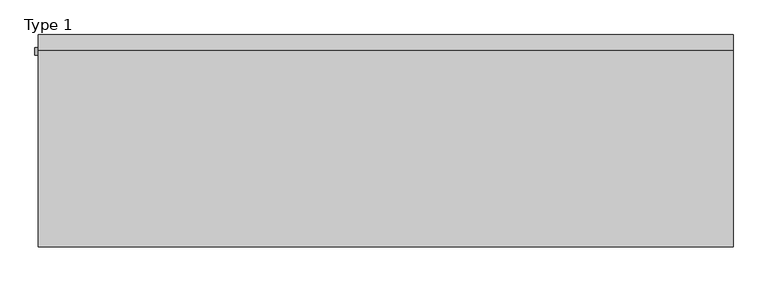
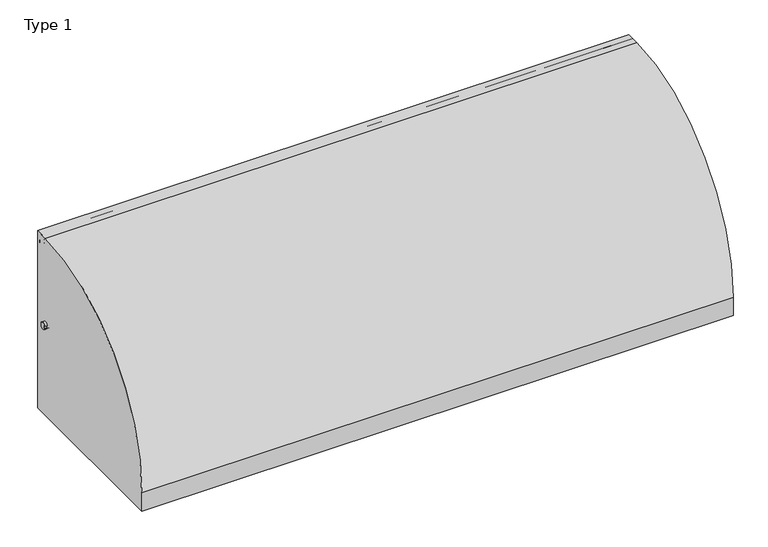
"""IFC4 building model written with IfcOpenShell, lengths in millimetres: railing geometry, Type 1."""

from ifc_helpers import new_model, si_unit, point, frame, frame_2d, origin, place, context, project, spatial, polyline, circle_curve, trimmed, segment, composite_curve, outline, extrude, source, transform, mapped, element, save
from ifc_brep_helpers import plane_surface, cylinder_surface, revolved_surface, advanced_brep


def type_1_9489bd56(model_context):
    return source(origin(), model_context, "Body", "SolidModel", [
        extrude(outline(composite_curve([segment(polyline([(824.2, 1050.0), (824.2, 0.0), (-187.2, 0.0), (-187.2, 108.0)]), True, "CONTINUOUS"), segment(trimmed(circle_curve(frame_2d((754.8273072, 108.0)), 942.0273072), [point((-187.2, 108.0))], [point((747.6546144, 1050.0))], False, "CARTESIAN"), True, "CONTINUOUS"), segment(polyline([(747.6546144, 1050.0), (824.2, 1050.0)]), True, "CONTINUOUS")], self_intersect=False)), frame((-395.0, 0.0, 0.0), z_axis=(1.0, 0.0, 0.0), x_axis=(0.0, 1.0, 0.0)), (0.0, 0.0, 1.0), 3310.4852492),
        extrude(outline(composite_curve([segment(polyline([(727.7, 530.617273), (731.7, 530.617273), (731.7, 545.382727), (727.7, 545.382727)]), True, "CONTINUOUS"), segment(trimmed(circle_curve(frame_2d((746.287505, 538.0)), 20.0), [point((727.7, 545.382727))], [point((762.0, 550.3740657))], False, "CARTESIAN"), True, "CONTINUOUS"), segment(polyline([(762.0, 550.3740657), (762.0, 525.6259343)]), True, "CONTINUOUS"), segment(trimmed(circle_curve(frame_2d((746.287505, 538.0)), 20.0), [point((762.0, 525.6259343))], [point((727.7, 530.617273))], False, "CARTESIAN"), True, "CONTINUOUS")], self_intersect=False)), frame((-410.0, 0.0, 0.0), z_axis=(1.0, 0.0, 0.0), x_axis=(0.0, 1.0, 0.0)), (0.0, 0.0, 1.0), 3325.4852492),
        extrude(outline(composite_curve([segment(polyline([(802.0, 1011.43534), (802.0, 993.0), (801.0, 993.0), (801.0, 1008.0), (761.0, 1008.0), (761.0, 993.0), (760.0, 993.0), (760.0, 1011.43534)]), True, "CONTINUOUS"), segment(trimmed(circle_curve(frame_2d((781.0, 1025.0)), 25.0), [point((760.0, 1011.43534))], [point((802.0, 1011.43534))], False, "CARTESIAN"), True, "CONTINUOUS")], self_intersect=False)), frame((-395.0, 0.0, 0.0), z_axis=(1.0, 0.0, 0.0), x_axis=(0.0, 1.0, 0.0)), (0.0, 0.0, 1.0), 3310.4852492),
        extrude(outline(composite_curve([segment(polyline([(800.0, 185.0), (800.0, 0.0), (598.1818182, 0.0), (598.1818182, 41.5250756)]), True, "CONTINUOUS"), segment(trimmed(circle_curve(frame_2d((609.3939394, 41.5250756)), 11.2121212), [point((598.1818182, 41.5250756))], [point((601.4657725, 49.4532425))], False, "CARTESIAN"), True, "CONTINUOUS"), segment(polyline([(601.4657725, 49.4532425), (715.6668272, 163.6542973)]), True, "CONTINUOUS"), segment(trimmed(circle_curve(frame_2d((767.1999123, 112.1212122)), 72.8787879), [point((715.6668272, 163.6542973))], [point((767.1999123, 185.0))], False, "CARTESIAN"), True, "CONTINUOUS"), segment(polyline([(767.1999123, 185.0), (800.0, 185.0)]), True, "CONTINUOUS")], self_intersect=False), holes=[composite_curve([segment(trimmed(circle_curve(frame_2d((778.6969697, 93.0361975)), 67.389419), [point((711.3075507, 93.0361975))], [point((770.5995631, 159.9373619))], False, "CARTESIAN"), True, "CONTINUOUS"), segment(trimmed(circle_curve(frame_2d((770.8668077, 157.7293747)), 2.2241014), [point((770.5995631, 159.9373619))], [point((773.0909091, 157.7293747))], False, "CARTESIAN"), True, "CONTINUOUS"), segment(polyline([(773.0909091, 157.7293747), (773.0909091, 143.5676849)]), True, "CONTINUOUS"), segment(trimmed(circle_curve(frame_2d((778.6969697, 143.5676849)), 5.6060606), [point((773.0909091, 143.5676849))], [point((784.3030303, 143.5676849))], True, "CARTESIAN"), True, "CONTINUOUS"), segment(polyline([(784.3030303, 143.5676849), (784.3030303, 166.0316771)]), True, "CONTINUOUS"), segment(trimmed(circle_curve(frame_2d((778.6969697, 166.0316771)), 5.6060606), [point((784.3030303, 166.0316771))], [point((778.6969697, 171.6377377))], True, "CARTESIAN"), True, "CONTINUOUS"), segment(trimmed(circle_curve(frame_2d((778.6969697, 93.0361975)), 78.6015402), [point((778.6969697, 171.6377377))], [point((700.0954295, 93.0361975))], True, "CARTESIAN"), True, "CONTINUOUS"), segment(trimmed(circle_curve(frame_2d((705.7014901, 93.0361975)), 5.6060606), [point((700.0954295, 93.0361975))], [point((711.3075507, 93.0361975))], True, "CARTESIAN"), True, "CONTINUOUS")], self_intersect=False)]), frame((1107.7426246, 0.0, 0.0), z_axis=(1.0, 0.0, 0.0), x_axis=(0.0, 1.0, 0.0)), (0.0, 0.0, 1.0), 2.5),
        advanced_brep(
        [(1175.2426246, 800.0, 185.0), (1175.2426246, 800.0, 100.9768515), (1175.2426246, 800.0, 0.0), (1175.2426246, 598.1818182, 0.0), (1175.2426246, 598.1818182, 41.5250756), (1175.2426246, 601.4657725, 49.4532425), (1175.2426246, 715.6668272, 163.6542973), (1175.2426246, 767.1999123, 185.0), (1175.2426246, 711.3075507, 93.0361975), (1175.2426246, 770.5995631, 159.9373619), (1175.2426246, 773.0909091, 157.7293747), (1175.2426246, 773.0909091, 143.5676849), (1175.2426246, 784.3030303, 143.5676849), (1175.2426246, 784.3030303, 166.0316771), (1175.2426246, 778.6969697, 171.6377377), (1175.2426246, 700.0954295, 93.0361975), (1177.7426246, 800.0, 0.0), (1177.7426246, 800.0, 100.9768515), (1177.7426246, 802.0, 100.9768515), (1177.7426246, 802.0, 185.0), (1177.7426246, 767.1999123, 185.0), (1177.7426246, 715.6668272, 163.6542973), (1177.7426246, 601.4657725, 49.4532425), (1177.7426246, 598.1818182, 41.5250756), (1177.7426246, 598.1818182, 0.0), (1177.7426246, 711.3075507, 93.0361975), (1177.7426246, 700.0954295, 93.0361975), (1177.7426246, 778.6969697, 171.6377377), (1177.7426246, 784.3030303, 166.0316771), (1177.7426246, 784.3030303, 143.5676849), (1177.7426246, 773.0909091, 143.5676849), (1177.7426246, 773.0909091, 157.7293747), (1177.7426246, 770.5995631, 159.9373619), (1107.7426246, 802.0, 185.0), (1107.7426246, 800.0, 185.0), (1107.7426246, 802.0, 100.9768515), (1107.7426246, 800.0, 100.9768515)],
        [
            (0, 1),
            (1, 2),
            (2, 3),
            (3, 4),
            (4, 5, circle_curve(frame((1175.2426246, 609.3939394, 41.5250756), z_axis=(-1.0, 0.0, 0.0), x_axis=(0.0, 1.0, 0.0)), 11.2121212)),
            (5, 6),
            (6, 7, circle_curve(frame((1175.2426246, 767.1999123, 112.1212122), z_axis=(-1.0, 0.0, 0.0), x_axis=(0.0, 1.0, 0.0)), 72.8787879)),
            (7, 0),
            (8, 9, circle_curve(frame((1175.2426246, 778.6969697, 93.0361975), z_axis=(-1.0, 0.0, 0.0), x_axis=(0.0, 1.0, 0.0)), 67.389419)),
            (9, 10, circle_curve(frame((1175.2426246, 770.8668077, 157.7293747), z_axis=(-1.0, 0.0, 0.0), x_axis=(0.0, 1.0, 0.0)), 2.2241014)),
            (10, 11),
            (11, 12, circle_curve(frame((1175.2426246, 778.6969697, 143.5676849), z_axis=(1.0, 0.0, 0.0), x_axis=(0.0, 1.0, 0.0)), 5.6060606)),
            (12, 13),
            (13, 14, circle_curve(frame((1175.2426246, 778.6969697, 166.0316771), z_axis=(1.0, 0.0, 0.0), x_axis=(0.0, 1.0, 0.0)), 5.6060606)),
            (14, 15, circle_curve(frame((1175.2426246, 778.6969697, 93.0361975), z_axis=(1.0, 0.0, 0.0), x_axis=(0.0, 1.0, 0.0)), 78.6015402)),
            (15, 8, circle_curve(frame((1175.2426246, 705.7014901, 93.0361975), z_axis=(1.0, 0.0, 0.0), x_axis=(0.0, 1.0, 0.0)), 5.6060606)),
            (16, 17),
            (17, 18),
            (18, 19),
            (19, 20),
            (20, 21, circle_curve(frame((1177.7426246, 767.1999123, 112.1212122), z_axis=(1.0, 0.0, 0.0), x_axis=(0.0, 1.0, 0.0)), 72.8787879)),
            (21, 22),
            (22, 23, circle_curve(frame((1177.7426246, 609.3939394, 41.5250756), z_axis=(1.0, 0.0, 0.0), x_axis=(0.0, 1.0, 0.0)), 11.2121212)),
            (23, 24),
            (24, 16),
            (25, 26, circle_curve(frame((1177.7426246, 705.7014901, 93.0361975), z_axis=(-1.0, 0.0, 0.0), x_axis=(0.0, 1.0, 0.0)), 5.6060606)),
            (26, 27, circle_curve(frame((1177.7426246, 778.6969697, 93.0361975), z_axis=(-1.0, 0.0, 0.0), x_axis=(0.0, 1.0, 0.0)), 78.6015402)),
            (27, 28, circle_curve(frame((1177.7426246, 778.6969697, 166.0316771), z_axis=(-1.0, 0.0, 0.0), x_axis=(0.0, 1.0, 0.0)), 5.6060606)),
            (28, 29),
            (29, 30, circle_curve(frame((1177.7426246, 778.6969697, 143.5676849), z_axis=(-1.0, 0.0, 0.0), x_axis=(0.0, 1.0, 0.0)), 5.6060606)),
            (30, 31),
            (31, 32, circle_curve(frame((1177.7426246, 770.8668077, 157.7293747), z_axis=(1.0, 0.0, 0.0), x_axis=(0.0, 1.0, 0.0)), 2.2241014)),
            (32, 25, circle_curve(frame((1177.7426246, 778.6969697, 93.0361975), z_axis=(1.0, 0.0, 0.0), x_axis=(0.0, 1.0, 0.0)), 67.389419)),
            (7, 20),
            (19, 33),
            (33, 34),
            (34, 0),
            (6, 21),
            (5, 22),
            (4, 23),
            (3, 24),
            (2, 16),
            (1, 17),
            (15, 26),
            (25, 8),
            (14, 27),
            (13, 28),
            (32, 9),
            (12, 29),
            (11, 30),
            (10, 31),
            (18, 35),
            (35, 33),
            (36, 1),
            (34, 36),
            (35, 36),
        ],
        [
            plane_surface(frame((1175.2426246, 798.2270223, 185.0), z_axis=(-1.0, 0.0, 0.0), x_axis=(0.0, -1.0, 0.0))),
            plane_surface(frame((1177.7426246, 798.2270223, 185.0), z_axis=(1.0, 0.0, 0.0), x_axis=(0.0, 1.0, 0.0))),
            plane_surface(frame((1175.2426246, 800.0, 185.0), z_axis=(0.0, 0.0, 1.0), x_axis=(1.0, 0.0, 0.0))),
            cylinder_surface(frame((1177.7426246, 767.1999123, 112.1212122), z_axis=(-1.0, 0.0, 0.0), x_axis=(0.0, 1.0, 0.0)), 72.8787879),
            plane_surface(frame((1175.2426246, 715.6668272, 163.6542973), z_axis=(0.0, -0.7071067811865421, 0.7071067811865529), x_axis=(1.0, 0.0, 0.0))),
            cylinder_surface(frame((1177.7426246, 609.3939394, 41.5250756), z_axis=(-1.0, 0.0, 0.0), x_axis=(0.0, 1.0, 0.0)), 11.2121212),
            plane_surface(frame((1175.2426246, 598.1818182, 41.5250756), z_axis=(0.0, -1.0, 0.0), x_axis=(1.0, 0.0, 0.0))),
            plane_surface(frame((1175.2426246, 598.1818182, 0.0), z_axis=(0.0, 0.0, -1.0), x_axis=(1.0, 0.0, 0.0))),
            plane_surface(frame((1175.2426246, 800.0, 0.0), z_axis=(0.0, 1.0, 0.0), x_axis=(1.0, 0.0, 0.0))),
            revolved_surface(polyline([(1177.7426246, 711.3075507, 93.0361975), (1175.2426246, 711.3075507, 93.0361975)]), (1177.7426246, 705.7014901, 93.0361975), (1.0, 0.0, 0.0)),
            revolved_surface(polyline([(1177.7426246, 857.2985099, 93.0361975), (1175.2426246, 857.2985099, 93.0361975)]), (1177.7426246, 778.6969697, 93.0361975), (1.0, 0.0, 0.0)),
            revolved_surface(polyline([(1177.7426246, 784.3030302999999, 166.0316771), (1175.2426246, 784.3030302999999, 166.0316771)]), (1177.7426246, 778.6969697, 166.0316771), (1.0, 0.0, 0.0)),
            cylinder_surface(frame((1177.7426246, 778.6969697, 93.0361975), z_axis=(-1.0, 0.0, 0.0), x_axis=(0.0, 1.0, 0.0)), 67.389419),
            plane_surface(frame((1175.2426246, 784.3030303, 166.0316771), z_axis=(0.0, -1.0, 0.0), x_axis=(1.0, 0.0, 0.0))),
            revolved_surface(polyline([(1177.7426246, 784.3030302999999, 143.5676849), (1175.2426246, 784.3030302999999, 143.5676849)]), (1177.7426246, 778.6969697, 143.5676849), (1.0, 0.0, 0.0)),
            plane_surface(frame((1175.2426246, 773.0909091, 143.5676849), z_axis=(0.0, 1.0, 0.0), x_axis=(1.0, 0.0, 0.0))),
            cylinder_surface(frame((1177.7426246, 770.8668077, 157.7293747), z_axis=(-1.0, 0.0, 0.0), x_axis=(0.0, 1.0, 0.0)), 2.2241014),
            plane_surface(frame((1107.7426246, 802.0, 185.0), z_axis=(0.0, 1.0, 0.0), x_axis=(-1.0, 0.0, 0.0))),
            plane_surface(frame((1107.7426246, 800.0, 185.0), z_axis=(0.0, -1.0, 0.0), x_axis=(1.0, 0.0, 0.0))),
            plane_surface(frame((1107.7426246, 802.0, 185.0), z_axis=(-1.0, 0.0, 0.0), x_axis=(0.0, -1.0, 0.0))),
            plane_surface(frame((1107.7426246, 802.0, 100.9768515), z_axis=(0.0, 0.0, -1.0), x_axis=(0.0, -1.0, 0.0))),
        ],
        [
            (0, [[1, 2, 3, 4, 5, 6, 7, 8], [9, 10, 11, 12, 13, 14, 15, 16]]),
            (1, [[17, 18, 19, 20, 21, 22, 23, 24, 25], [26, 27, 28, 29, 30, 31, 32, 33]]),
            (2, [[34, -20, 35, 36, 37, -8]]),
            (3, [[38, -21, -34, -7]]),
            (4, [[39, -22, -38, -6]]),
            (5, [[40, -23, -39, -5]]),
            (6, [[41, -24, -40, -4]]),
            (7, [[42, -25, -41, -3]]),
            (8, [[-2, 43, -17, -42]]),
            (9, [[44, -26, 45, -16]]),
            (10, [[46, -27, -44, -15]]),
            (11, [[47, -28, -46, -14]]),
            (12, [[-45, -33, 48, -9]]),
            (13, [[49, -29, -47, -13]]),
            (14, [[50, -30, -49, -12]]),
            (15, [[51, -31, -50, -11]]),
            (16, [[-48, -32, -51, -10]]),
            (17, [[-19, 52, 53, -35]]),
            (18, [[54, -1, -37, 55]]),
            (19, [[56, -55, -36, -53]]),
            (20, [[-18, -43, -54, -56, -52]]),
        ],
    ),
        extrude(outline(composite_curve([segment(polyline([(1119.7426246, 800.0), (1165.7426246, 800.0)]), True, "CONTINUOUS"), segment(trimmed(circle_curve(frame_2d((1165.7426246, 795.0)), 5.0), [point((1165.7426246, 800.0))], [point((1170.7426246, 795.0))], False, "CARTESIAN"), True, "CONTINUOUS"), segment(polyline([(1170.7426246, 795.0), (1170.7426246, 767.0)]), True, "CONTINUOUS"), segment(trimmed(circle_curve(frame_2d((1165.7426246, 767.0)), 5.0), [point((1170.7426246, 767.0))], [point((1165.7426246, 762.0))], False, "CARTESIAN"), True, "CONTINUOUS"), segment(polyline([(1165.7426246, 762.0), (1119.7426246, 762.0)]), True, "CONTINUOUS"), segment(trimmed(circle_curve(frame_2d((1119.7426246, 767.0)), 5.0), [point((1119.7426246, 762.0))], [point((1114.7426246, 767.0))], False, "CARTESIAN"), True, "CONTINUOUS"), segment(polyline([(1114.7426246, 767.0), (1114.7426246, 795.0)]), True, "CONTINUOUS"), segment(trimmed(circle_curve(frame_2d((1119.7426246, 795.0)), 5.0), [point((1114.7426246, 795.0))], [point((1119.7426246, 800.0))], False, "CARTESIAN"), True, "CONTINUOUS")], self_intersect=False)), frame((0.0, 0.0, 43.0), z_axis=(0.0, 0.0, 1.0), x_axis=(1.0, 0.0, 0.0)), (0.0, 0.0, 1.0), 965.0),
        extrude(outline(composite_curve([segment(polyline([(0.0, 1175.2426246), (36.5, 1175.2426246)]), True, "CONTINUOUS"), segment(trimmed(circle_curve(frame_2d((36.5, 1173.7426246)), 1.5), [point((36.5, 1175.2426246))], [point((36.5, 1172.2426246))], False, "CARTESIAN"), True, "CONTINUOUS"), segment(polyline([(36.5, 1172.2426246), (3.0, 1172.2426246), (3.0, 1113.2426246), (36.5, 1113.2426246)]), True, "CONTINUOUS"), segment(trimmed(circle_curve(frame_2d((36.5, 1111.7426246)), 1.5), [point((36.5, 1113.2426246))], [point((36.5, 1110.2426246))], False, "CARTESIAN"), True, "CONTINUOUS"), segment(polyline([(36.5, 1110.2426246), (0.0, 1110.2426246), (0.0, 1175.2426246)]), True, "CONTINUOUS")], self_intersect=False)), frame((0.0, 0.0, 0.0), z_axis=(0.0, 1.0, 0.0), x_axis=(0.0, 0.0, 1.0)), (0.0, 0.0, 1.0), 800.0),
        extrude(outline(composite_curve([segment(polyline([(800.0, 185.0), (800.0, 0.0), (598.1818182, 0.0), (598.1818182, 41.5250756)]), True, "CONTINUOUS"), segment(trimmed(circle_curve(frame_2d((609.3939394, 41.5250756)), 11.2121212), [point((598.1818182, 41.5250756))], [point((601.4657725, 49.4532425))], False, "CARTESIAN"), True, "CONTINUOUS"), segment(polyline([(601.4657725, 49.4532425), (715.6668272, 163.6542973)]), True, "CONTINUOUS"), segment(trimmed(circle_curve(frame_2d((767.1999123, 112.1212122)), 72.8787879), [point((715.6668272, 163.6542973))], [point((767.1999123, 185.0))], False, "CARTESIAN"), True, "CONTINUOUS"), segment(polyline([(767.1999123, 185.0), (800.0, 185.0)]), True, "CONTINUOUS")], self_intersect=False), holes=[composite_curve([segment(trimmed(circle_curve(frame_2d((778.6969697, 93.0361975)), 67.389419), [point((711.3075507, 93.0361975))], [point((770.5995631, 159.9373619))], False, "CARTESIAN"), True, "CONTINUOUS"), segment(trimmed(circle_curve(frame_2d((770.8668077, 157.7293747)), 2.2241014), [point((770.5995631, 159.9373619))], [point((773.0909091, 157.7293747))], False, "CARTESIAN"), True, "CONTINUOUS"), segment(polyline([(773.0909091, 157.7293747), (773.0909091, 143.5676849)]), True, "CONTINUOUS"), segment(trimmed(circle_curve(frame_2d((778.6969697, 143.5676849)), 5.6060606), [point((773.0909091, 143.5676849))], [point((784.3030303, 143.5676849))], True, "CARTESIAN"), True, "CONTINUOUS"), segment(polyline([(784.3030303, 143.5676849), (784.3030303, 166.0316771)]), True, "CONTINUOUS"), segment(trimmed(circle_curve(frame_2d((778.6969697, 166.0316771)), 5.6060606), [point((784.3030303, 166.0316771))], [point((778.6969697, 171.6377377))], True, "CARTESIAN"), True, "CONTINUOUS"), segment(trimmed(circle_curve(frame_2d((778.6969697, 93.0361975)), 78.6015402), [point((778.6969697, 171.6377377))], [point((700.0954295, 93.0361975))], True, "CARTESIAN"), True, "CONTINUOUS"), segment(trimmed(circle_curve(frame_2d((705.7014901, 93.0361975)), 5.6060606), [point((700.0954295, 93.0361975))], [point((711.3075507, 93.0361975))], True, "CARTESIAN"), True, "CONTINUOUS")], self_intersect=False)]), frame((2222.4852492, 0.0, 0.0), z_axis=(1.0, 0.0, 0.0), x_axis=(0.0, 1.0, 0.0)), (0.0, 0.0, 1.0), 2.5),
        advanced_brep(
        [(2289.9852492, 800.0, 185.0), (2289.9852492, 800.0, 100.9768515), (2289.9852492, 800.0, 0.0), (2289.9852492, 598.1818182, 0.0), (2289.9852492, 598.1818182, 41.5250756), (2289.9852492, 601.4657725, 49.4532425), (2289.9852492, 715.6668272, 163.6542973), (2289.9852492, 767.1999123, 185.0), (2289.9852492, 711.3075507, 93.0361975), (2289.9852492, 770.5995631, 159.9373619), (2289.9852492, 773.0909091, 157.7293747), (2289.9852492, 773.0909091, 143.5676849), (2289.9852492, 784.3030303, 143.5676849), (2289.9852492, 784.3030303, 166.0316771), (2289.9852492, 778.6969697, 171.6377377), (2289.9852492, 700.0954295, 93.0361975), (2292.4852492, 800.0, 0.0), (2292.4852492, 800.0, 100.9768515), (2292.4852492, 802.0, 100.9768515), (2292.4852492, 802.0, 185.0), (2292.4852492, 767.1999123, 185.0), (2292.4852492, 715.6668272, 163.6542973), (2292.4852492, 601.4657725, 49.4532425), (2292.4852492, 598.1818182, 41.5250756), (2292.4852492, 598.1818182, 0.0), (2292.4852492, 711.3075507, 93.0361975), (2292.4852492, 700.0954295, 93.0361975), (2292.4852492, 778.6969697, 171.6377377), (2292.4852492, 784.3030303, 166.0316771), (2292.4852492, 784.3030303, 143.5676849), (2292.4852492, 773.0909091, 143.5676849), (2292.4852492, 773.0909091, 157.7293747), (2292.4852492, 770.5995631, 159.9373619), (2222.4852492, 802.0, 185.0), (2222.4852492, 800.0, 185.0), (2222.4852492, 802.0, 100.9768515), (2222.4852492, 800.0, 100.9768515)],
        [
            (0, 1),
            (1, 2),
            (2, 3),
            (3, 4),
            (4, 5, circle_curve(frame((2289.9852492, 609.3939394, 41.5250756), z_axis=(-1.0, 0.0, 0.0), x_axis=(0.0, 1.0, 0.0)), 11.2121212)),
            (5, 6),
            (6, 7, circle_curve(frame((2289.9852492, 767.1999123, 112.1212122), z_axis=(-1.0, 0.0, 0.0), x_axis=(0.0, 1.0, 0.0)), 72.8787879)),
            (7, 0),
            (8, 9, circle_curve(frame((2289.9852492, 778.6969697, 93.0361975), z_axis=(-1.0, 0.0, 0.0), x_axis=(0.0, 1.0, 0.0)), 67.389419)),
            (9, 10, circle_curve(frame((2289.9852492, 770.8668077, 157.7293747), z_axis=(-1.0, 0.0, 0.0), x_axis=(0.0, 1.0, 0.0)), 2.2241014)),
            (10, 11),
            (11, 12, circle_curve(frame((2289.9852492, 778.6969697, 143.5676849), z_axis=(1.0, 0.0, 0.0), x_axis=(0.0, 1.0, 0.0)), 5.6060606)),
            (12, 13),
            (13, 14, circle_curve(frame((2289.9852492, 778.6969697, 166.0316771), z_axis=(1.0, 0.0, 0.0), x_axis=(0.0, 1.0, 0.0)), 5.6060606)),
            (14, 15, circle_curve(frame((2289.9852492, 778.6969697, 93.0361975), z_axis=(1.0, 0.0, 0.0), x_axis=(0.0, 1.0, 0.0)), 78.6015402)),
            (15, 8, circle_curve(frame((2289.9852492, 705.7014901, 93.0361975), z_axis=(1.0, 0.0, 0.0), x_axis=(0.0, 1.0, 0.0)), 5.6060606)),
            (16, 17),
            (17, 18),
            (18, 19),
            (19, 20),
            (20, 21, circle_curve(frame((2292.4852492, 767.1999123, 112.1212122), z_axis=(1.0, 0.0, 0.0), x_axis=(0.0, 1.0, 0.0)), 72.8787879)),
            (21, 22),
            (22, 23, circle_curve(frame((2292.4852492, 609.3939394, 41.5250756), z_axis=(1.0, 0.0, 0.0), x_axis=(0.0, 1.0, 0.0)), 11.2121212)),
            (23, 24),
            (24, 16),
            (25, 26, circle_curve(frame((2292.4852492, 705.7014901, 93.0361975), z_axis=(-1.0, 0.0, 0.0), x_axis=(0.0, 1.0, 0.0)), 5.6060606)),
            (26, 27, circle_curve(frame((2292.4852492, 778.6969697, 93.0361975), z_axis=(-1.0, 0.0, 0.0), x_axis=(0.0, 1.0, 0.0)), 78.6015402)),
            (27, 28, circle_curve(frame((2292.4852492, 778.6969697, 166.0316771), z_axis=(-1.0, 0.0, 0.0), x_axis=(0.0, 1.0, 0.0)), 5.6060606)),
            (28, 29),
            (29, 30, circle_curve(frame((2292.4852492, 778.6969697, 143.5676849), z_axis=(-1.0, 0.0, 0.0), x_axis=(0.0, 1.0, 0.0)), 5.6060606)),
            (30, 31),
            (31, 32, circle_curve(frame((2292.4852492, 770.8668077, 157.7293747), z_axis=(1.0, 0.0, 0.0), x_axis=(0.0, 1.0, 0.0)), 2.2241014)),
            (32, 25, circle_curve(frame((2292.4852492, 778.6969697, 93.0361975), z_axis=(1.0, 0.0, 0.0), x_axis=(0.0, 1.0, 0.0)), 67.389419)),
            (7, 20),
            (19, 33),
            (33, 34),
            (34, 0),
            (6, 21),
            (5, 22),
            (4, 23),
            (3, 24),
            (2, 16),
            (1, 17),
            (15, 26),
            (25, 8),
            (14, 27),
            (13, 28),
            (32, 9),
            (12, 29),
            (11, 30),
            (10, 31),
            (18, 35),
            (35, 33),
            (36, 1),
            (34, 36),
            (35, 36),
        ],
        [
            plane_surface(frame((2289.9852492, 798.2270223, 185.0), z_axis=(-1.0, 0.0, 0.0), x_axis=(0.0, -1.0, 0.0))),
            plane_surface(frame((2292.4852492, 798.2270223, 185.0), z_axis=(1.0, 0.0, 0.0), x_axis=(0.0, 1.0, 0.0))),
            plane_surface(frame((2289.9852492, 800.0, 185.0), z_axis=(0.0, 0.0, 1.0), x_axis=(1.0, 0.0, 0.0))),
            cylinder_surface(frame((2292.4852492, 767.1999123, 112.1212122), z_axis=(-1.0, 0.0, 0.0), x_axis=(0.0, 1.0, 0.0)), 72.8787879),
            plane_surface(frame((2289.9852492, 715.6668272, 163.6542973), z_axis=(0.0, -0.7071067811865421, 0.7071067811865529), x_axis=(1.0, 0.0, 0.0))),
            cylinder_surface(frame((2292.4852492, 609.3939394, 41.5250756), z_axis=(-1.0, 0.0, 0.0), x_axis=(0.0, 1.0, 0.0)), 11.2121212),
            plane_surface(frame((2289.9852492, 598.1818182, 41.5250756), z_axis=(0.0, -1.0, 0.0), x_axis=(1.0, 0.0, 0.0))),
            plane_surface(frame((2289.9852492, 598.1818182, 0.0), z_axis=(0.0, 0.0, -1.0), x_axis=(1.0, 0.0, 0.0))),
            plane_surface(frame((2289.9852492, 800.0, 0.0), z_axis=(0.0, 1.0, 0.0), x_axis=(1.0, 0.0, 0.0))),
            revolved_surface(polyline([(2292.4852492, 711.3075507, 93.0361975), (2289.9852492, 711.3075507, 93.0361975)]), (2292.4852492, 705.7014901, 93.0361975), (1.0, 0.0, 0.0)),
            revolved_surface(polyline([(2292.4852492, 857.2985099, 93.0361975), (2289.9852492, 857.2985099, 93.0361975)]), (2292.4852492, 778.6969697, 93.0361975), (1.0, 0.0, 0.0)),
            revolved_surface(polyline([(2292.4852492, 784.3030302999999, 166.0316771), (2289.9852492, 784.3030302999999, 166.0316771)]), (2292.4852492, 778.6969697, 166.0316771), (1.0, 0.0, 0.0)),
            cylinder_surface(frame((2292.4852492, 778.6969697, 93.0361975), z_axis=(-1.0, 0.0, 0.0), x_axis=(0.0, 1.0, 0.0)), 67.389419),
            plane_surface(frame((2289.9852492, 784.3030303, 166.0316771), z_axis=(0.0, -1.0, 0.0), x_axis=(1.0, 0.0, 0.0))),
            revolved_surface(polyline([(2292.4852492, 784.3030302999999, 143.5676849), (2289.9852492, 784.3030302999999, 143.5676849)]), (2292.4852492, 778.6969697, 143.5676849), (1.0, 0.0, 0.0)),
            plane_surface(frame((2289.9852492, 773.0909091, 143.5676849), z_axis=(0.0, 1.0, 0.0), x_axis=(1.0, 0.0, 0.0))),
            cylinder_surface(frame((2292.4852492, 770.8668077, 157.7293747), z_axis=(-1.0, 0.0, 0.0), x_axis=(0.0, 1.0, 0.0)), 2.2241014),
            plane_surface(frame((2222.4852492, 802.0, 185.0), z_axis=(0.0, 1.0, 0.0), x_axis=(-1.0, 0.0, 0.0))),
            plane_surface(frame((2222.4852492, 800.0, 185.0), z_axis=(0.0, -1.0, 0.0), x_axis=(1.0, 0.0, 0.0))),
            plane_surface(frame((2222.4852492, 802.0, 185.0), z_axis=(-1.0, 0.0, 0.0), x_axis=(0.0, -1.0, 0.0))),
            plane_surface(frame((2222.4852492, 802.0, 100.9768515), z_axis=(0.0, 0.0, -1.0), x_axis=(0.0, -1.0, 0.0))),
        ],
        [
            (0, [[1, 2, 3, 4, 5, 6, 7, 8], [9, 10, 11, 12, 13, 14, 15, 16]]),
            (1, [[17, 18, 19, 20, 21, 22, 23, 24, 25], [26, 27, 28, 29, 30, 31, 32, 33]]),
            (2, [[34, -20, 35, 36, 37, -8]]),
            (3, [[38, -21, -34, -7]]),
            (4, [[39, -22, -38, -6]]),
            (5, [[40, -23, -39, -5]]),
            (6, [[41, -24, -40, -4]]),
            (7, [[42, -25, -41, -3]]),
            (8, [[-2, 43, -17, -42]]),
            (9, [[44, -26, 45, -16]]),
            (10, [[46, -27, -44, -15]]),
            (11, [[47, -28, -46, -14]]),
            (12, [[-45, -33, 48, -9]]),
            (13, [[49, -29, -47, -13]]),
            (14, [[50, -30, -49, -12]]),
            (15, [[51, -31, -50, -11]]),
            (16, [[-48, -32, -51, -10]]),
            (17, [[-19, 52, 53, -35]]),
            (18, [[54, -1, -37, 55]]),
            (19, [[56, -55, -36, -53]]),
            (20, [[-18, -43, -54, -56, -52]]),
        ],
    ),
        extrude(outline(composite_curve([segment(polyline([(2234.4852492, 800.0), (2280.4852492, 800.0)]), True, "CONTINUOUS"), segment(trimmed(circle_curve(frame_2d((2280.4852492, 795.0)), 5.0), [point((2280.4852492, 800.0))], [point((2285.4852492, 795.0))], False, "CARTESIAN"), True, "CONTINUOUS"), segment(polyline([(2285.4852492, 795.0), (2285.4852492, 767.0)]), True, "CONTINUOUS"), segment(trimmed(circle_curve(frame_2d((2280.4852492, 767.0)), 5.0), [point((2285.4852492, 767.0))], [point((2280.4852492, 762.0))], False, "CARTESIAN"), True, "CONTINUOUS"), segment(polyline([(2280.4852492, 762.0), (2234.4852492, 762.0)]), True, "CONTINUOUS"), segment(trimmed(circle_curve(frame_2d((2234.4852492, 767.0)), 5.0), [point((2234.4852492, 762.0))], [point((2229.4852492, 767.0))], False, "CARTESIAN"), True, "CONTINUOUS"), segment(polyline([(2229.4852492, 767.0), (2229.4852492, 795.0)]), True, "CONTINUOUS"), segment(trimmed(circle_curve(frame_2d((2234.4852492, 795.0)), 5.0), [point((2229.4852492, 795.0))], [point((2234.4852492, 800.0))], False, "CARTESIAN"), True, "CONTINUOUS")], self_intersect=False)), frame((0.0, 0.0, 43.0), z_axis=(0.0, 0.0, 1.0), x_axis=(1.0, 0.0, 0.0)), (0.0, 0.0, 1.0), 965.0),
        extrude(outline(composite_curve([segment(polyline([(0.0, 2289.9852492), (36.5, 2289.9852492)]), True, "CONTINUOUS"), segment(trimmed(circle_curve(frame_2d((36.5, 2288.4852492)), 1.5), [point((36.5, 2289.9852492))], [point((36.5, 2286.9852492))], False, "CARTESIAN"), True, "CONTINUOUS"), segment(polyline([(36.5, 2286.9852492), (3.0, 2286.9852492), (3.0, 2227.9852492), (36.5, 2227.9852492)]), True, "CONTINUOUS"), segment(trimmed(circle_curve(frame_2d((36.5, 2226.4852492)), 1.5), [point((36.5, 2227.9852492))], [point((36.5, 2224.9852492))], False, "CARTESIAN"), True, "CONTINUOUS"), segment(polyline([(36.5, 2224.9852492), (0.0, 2224.9852492), (0.0, 2289.9852492)]), True, "CONTINUOUS")], self_intersect=False)), frame((0.0, 0.0, 0.0), z_axis=(0.0, 1.0, 0.0), x_axis=(0.0, 0.0, 1.0)), (0.0, 0.0, 1.0), 800.0),
        extrude(outline(composite_curve([segment(polyline([(800.0, 185.0), (800.0, 0.0), (598.1818182, 0.0), (598.1818182, 41.5250755)]), True, "CONTINUOUS"), segment(trimmed(circle_curve(frame_2d((609.3939394, 41.5250755)), 11.2121212), [point((598.1818182, 41.5250755))], [point((601.4657725, 49.4532425))], False, "CARTESIAN"), True, "CONTINUOUS"), segment(polyline([(601.4657725, 49.4532425), (715.6668272, 163.6542972)]), True, "CONTINUOUS"), segment(trimmed(circle_curve(frame_2d((767.1999123, 112.1212121)), 72.8787879), [point((715.6668272, 163.6542972))], [point((767.1999123, 185.0))], False, "CARTESIAN"), True, "CONTINUOUS"), segment(polyline([(767.1999123, 185.0), (800.0, 185.0)]), True, "CONTINUOUS")], self_intersect=False), holes=[composite_curve([segment(trimmed(circle_curve(frame_2d((778.6969697, 93.0361974)), 67.389419), [point((711.3075507, 93.0361974))], [point((770.5995631, 159.9373618))], False, "CARTESIAN"), True, "CONTINUOUS"), segment(trimmed(circle_curve(frame_2d((770.8668077, 157.7293746)), 2.2241014), [point((770.5995631, 159.9373618))], [point((773.0909091, 157.7293746))], False, "CARTESIAN"), True, "CONTINUOUS"), segment(polyline([(773.0909091, 157.7293746), (773.0909091, 143.5676849)]), True, "CONTINUOUS"), segment(trimmed(circle_curve(frame_2d((778.6969697, 143.5676849)), 5.6060606), [point((773.0909091, 143.5676849))], [point((784.3030303, 143.5676849))], True, "CARTESIAN"), True, "CONTINUOUS"), segment(polyline([(784.3030303, 143.5676849), (784.3030303, 166.031677)]), True, "CONTINUOUS"), segment(trimmed(circle_curve(frame_2d((778.6969697, 166.031677)), 5.6060606), [point((784.3030303, 166.031677))], [point((778.6969697, 171.6377376))], True, "CARTESIAN"), True, "CONTINUOUS"), segment(trimmed(circle_curve(frame_2d((778.6969697, 93.0361974)), 78.6015402), [point((778.6969697, 171.6377376))], [point((700.0954295, 93.0361974))], True, "CARTESIAN"), True, "CONTINUOUS"), segment(trimmed(circle_curve(frame_2d((705.7014901, 93.0361974)), 5.6060606), [point((700.0954295, 93.0361974))], [point((711.3075507, 93.0361974))], True, "CARTESIAN"), True, "CONTINUOUS")], self_intersect=False)]), frame((-7.0, 0.0, 0.0), z_axis=(1.0, 0.0, 0.0), x_axis=(0.0, 1.0, 0.0)), (0.0, 0.0, 1.0), 2.5),
        advanced_brep(
        [(60.5, 800.0, 185.0), (60.5, 800.0, 100.9768514), (60.5, 800.0, 0.0), (60.5, 598.1818182, 0.0), (60.5, 598.1818182, 41.5250755), (60.5, 601.4657725, 49.4532425), (60.5, 715.6668272, 163.6542972), (60.5, 767.1999123, 185.0), (60.5, 711.3075507, 93.0361974), (60.5, 770.5995631, 159.9373618), (60.5, 773.0909091, 157.7293746), (60.5, 773.0909091, 143.5676849), (60.5, 784.3030303, 143.5676849), (60.5, 784.3030303, 166.031677), (60.5, 778.6969697, 171.6377376), (60.5, 700.0954295, 93.0361974), (63.0, 800.0, 0.0), (63.0, 800.0, 100.9768514), (63.0, 802.0, 100.9768514), (63.0, 802.0, 185.0), (63.0, 767.1999123, 185.0), (63.0, 715.6668272, 163.6542972), (63.0, 601.4657725, 49.4532425), (63.0, 598.1818182, 41.5250755), (63.0, 598.1818182, 0.0), (63.0, 711.3075507, 93.0361974), (63.0, 700.0954295, 93.0361974), (63.0, 778.6969697, 171.6377376), (63.0, 784.3030303, 166.031677), (63.0, 784.3030303, 143.5676849), (63.0, 773.0909091, 143.5676849), (63.0, 773.0909091, 157.7293746), (63.0, 770.5995631, 159.9373618), (-7.0, 802.0, 185.0), (-7.0, 800.0, 185.0), (-7.0, 802.0, 100.9768514), (-7.0, 800.0, 100.9768514)],
        [
            (0, 1),
            (1, 2),
            (2, 3),
            (3, 4),
            (4, 5, circle_curve(frame((60.5, 609.3939394, 41.5250755), z_axis=(-1.0, 0.0, 0.0), x_axis=(0.0, 1.0, 0.0)), 11.2121212)),
            (5, 6),
            (6, 7, circle_curve(frame((60.5, 767.1999123, 112.1212121), z_axis=(-1.0, 0.0, 0.0), x_axis=(0.0, 1.0, 0.0)), 72.8787879)),
            (7, 0),
            (8, 9, circle_curve(frame((60.5, 778.6969697, 93.0361974), z_axis=(-1.0, 0.0, 0.0), x_axis=(0.0, 1.0, 0.0)), 67.389419)),
            (9, 10, circle_curve(frame((60.5, 770.8668077, 157.7293746), z_axis=(-1.0, 0.0, 0.0), x_axis=(0.0, 1.0, 0.0)), 2.2241014)),
            (10, 11),
            (11, 12, circle_curve(frame((60.5, 778.6969697, 143.5676849), z_axis=(1.0, 0.0, 0.0), x_axis=(0.0, 1.0, 0.0)), 5.6060606)),
            (12, 13),
            (13, 14, circle_curve(frame((60.5, 778.6969697, 166.031677), z_axis=(1.0, 0.0, 0.0), x_axis=(0.0, 1.0, 0.0)), 5.6060606)),
            (14, 15, circle_curve(frame((60.5, 778.6969697, 93.0361974), z_axis=(1.0, 0.0, 0.0), x_axis=(0.0, 1.0, 0.0)), 78.6015402)),
            (15, 8, circle_curve(frame((60.5, 705.7014901, 93.0361974), z_axis=(1.0, 0.0, 0.0), x_axis=(0.0, 1.0, 0.0)), 5.6060606)),
            (16, 17),
            (17, 18),
            (18, 19),
            (19, 20),
            (20, 21, circle_curve(frame((63.0, 767.1999123, 112.1212121), z_axis=(1.0, 0.0, 0.0), x_axis=(0.0, 1.0, 0.0)), 72.8787879)),
            (21, 22),
            (22, 23, circle_curve(frame((63.0, 609.3939394, 41.5250755), z_axis=(1.0, 0.0, 0.0), x_axis=(0.0, 1.0, 0.0)), 11.2121212)),
            (23, 24),
            (24, 16),
            (25, 26, circle_curve(frame((63.0, 705.7014901, 93.0361974), z_axis=(-1.0, 0.0, 0.0), x_axis=(0.0, 1.0, 0.0)), 5.6060606)),
            (26, 27, circle_curve(frame((63.0, 778.6969697, 93.0361974), z_axis=(-1.0, 0.0, 0.0), x_axis=(0.0, 1.0, 0.0)), 78.6015402)),
            (27, 28, circle_curve(frame((63.0, 778.6969697, 166.031677), z_axis=(-1.0, 0.0, 0.0), x_axis=(0.0, 1.0, 0.0)), 5.6060606)),
            (28, 29),
            (29, 30, circle_curve(frame((63.0, 778.6969697, 143.5676849), z_axis=(-1.0, 0.0, 0.0), x_axis=(0.0, 1.0, 0.0)), 5.6060606)),
            (30, 31),
            (31, 32, circle_curve(frame((63.0, 770.8668077, 157.7293746), z_axis=(1.0, 0.0, 0.0), x_axis=(0.0, 1.0, 0.0)), 2.2241014)),
            (32, 25, circle_curve(frame((63.0, 778.6969697, 93.0361974), z_axis=(1.0, 0.0, 0.0), x_axis=(0.0, 1.0, 0.0)), 67.389419)),
            (7, 20),
            (19, 33),
            (33, 34),
            (34, 0),
            (6, 21),
            (5, 22),
            (4, 23),
            (3, 24),
            (2, 16),
            (1, 17),
            (15, 26),
            (25, 8),
            (14, 27),
            (13, 28),
            (32, 9),
            (12, 29),
            (11, 30),
            (10, 31),
            (18, 35),
            (35, 33),
            (36, 1),
            (34, 36),
            (35, 36),
        ],
        [
            plane_surface(frame((60.5, 798.2270223, 185.0), z_axis=(-1.0, 0.0, 0.0), x_axis=(0.0, -1.0, 0.0))),
            plane_surface(frame((63.0, 798.2270223, 185.0), z_axis=(1.0, 0.0, 0.0), x_axis=(0.0, 1.0, 0.0))),
            plane_surface(frame((60.5, 800.0, 185.0), z_axis=(0.0, 0.0, 1.0), x_axis=(1.0, 0.0, 0.0))),
            cylinder_surface(frame((63.0, 767.1999123, 112.1212121), z_axis=(-1.0, 0.0, 0.0), x_axis=(0.0, 1.0, 0.0)), 72.8787879),
            plane_surface(frame((60.5, 715.6668272, 163.6542972), z_axis=(0.0, -0.7071067811865421, 0.7071067811865529), x_axis=(1.0, 0.0, 0.0))),
            cylinder_surface(frame((63.0, 609.3939394, 41.5250755), z_axis=(-1.0, 0.0, 0.0), x_axis=(0.0, 1.0, 0.0)), 11.2121212),
            plane_surface(frame((60.5, 598.1818182, 41.5250755), z_axis=(0.0, -1.0, 0.0), x_axis=(1.0, 0.0, 0.0))),
            plane_surface(frame((60.5, 598.1818182, 0.0), z_axis=(0.0, 0.0, -1.0), x_axis=(1.0, 0.0, 0.0))),
            plane_surface(frame((60.5, 800.0, 0.0), z_axis=(0.0, 1.0, 0.0), x_axis=(1.0, 0.0, 0.0))),
            revolved_surface(polyline([(63.0, 711.3075507, 93.0361974), (60.5, 711.3075507, 93.0361974)]), (63.0, 705.7014901, 93.0361974), (1.0, 0.0, 0.0)),
            revolved_surface(polyline([(63.0, 857.2985099, 93.0361974), (60.5, 857.2985099, 93.0361974)]), (63.0, 778.6969697, 93.0361974), (1.0, 0.0, 0.0)),
            revolved_surface(polyline([(63.0, 784.3030302999999, 166.031677), (60.5, 784.3030302999999, 166.031677)]), (63.0, 778.6969697, 166.031677), (1.0, 0.0, 0.0)),
            cylinder_surface(frame((63.0, 778.6969697, 93.0361974), z_axis=(-1.0, 0.0, 0.0), x_axis=(0.0, 1.0, 0.0)), 67.389419),
            plane_surface(frame((60.5, 784.3030303, 166.031677), z_axis=(0.0, -1.0, 0.0), x_axis=(1.0, 0.0, 0.0))),
            revolved_surface(polyline([(63.0, 784.3030302999999, 143.5676849), (60.5, 784.3030302999999, 143.5676849)]), (63.0, 778.6969697, 143.5676849), (1.0, 0.0, 0.0)),
            plane_surface(frame((60.5, 773.0909091, 143.5676849), z_axis=(0.0, 1.0, 0.0), x_axis=(1.0, 0.0, 0.0))),
            cylinder_surface(frame((63.0, 770.8668077, 157.7293746), z_axis=(-1.0, 0.0, 0.0), x_axis=(0.0, 1.0, 0.0)), 2.2241014),
            plane_surface(frame((-7.0, 802.0, 185.0), z_axis=(0.0, 1.0, 0.0), x_axis=(-1.0, 0.0, 0.0))),
            plane_surface(frame((-7.0, 800.0, 185.0), z_axis=(0.0, -1.0, 0.0), x_axis=(1.0, 0.0, 0.0))),
            plane_surface(frame((-7.0, 802.0, 185.0), z_axis=(-1.0, 0.0, 0.0), x_axis=(0.0, -1.0, 0.0))),
            plane_surface(frame((-7.0, 802.0, 100.9768514), z_axis=(0.0, 0.0, -1.0), x_axis=(0.0, -1.0, 0.0))),
        ],
        [
            (0, [[1, 2, 3, 4, 5, 6, 7, 8], [9, 10, 11, 12, 13, 14, 15, 16]]),
            (1, [[17, 18, 19, 20, 21, 22, 23, 24, 25], [26, 27, 28, 29, 30, 31, 32, 33]]),
            (2, [[34, -20, 35, 36, 37, -8]]),
            (3, [[38, -21, -34, -7]]),
            (4, [[39, -22, -38, -6]]),
            (5, [[40, -23, -39, -5]]),
            (6, [[41, -24, -40, -4]]),
            (7, [[42, -25, -41, -3]]),
            (8, [[-2, 43, -17, -42]]),
            (9, [[44, -26, 45, -16]]),
            (10, [[46, -27, -44, -15]]),
            (11, [[47, -28, -46, -14]]),
            (12, [[-45, -33, 48, -9]]),
            (13, [[49, -29, -47, -13]]),
            (14, [[50, -30, -49, -12]]),
            (15, [[51, -31, -50, -11]]),
            (16, [[-48, -32, -51, -10]]),
            (17, [[-19, 52, 53, -35]]),
            (18, [[54, -1, -37, 55]]),
            (19, [[56, -55, -36, -53]]),
            (20, [[-18, -43, -54, -56, -52]]),
        ],
    ),
        extrude(outline(composite_curve([segment(polyline([(5.0, 800.0), (51.0, 800.0)]), True, "CONTINUOUS"), segment(trimmed(circle_curve(frame_2d((51.0, 795.0)), 5.0), [point((51.0, 800.0))], [point((56.0, 795.0))], False, "CARTESIAN"), True, "CONTINUOUS"), segment(polyline([(56.0, 795.0), (56.0, 767.0)]), True, "CONTINUOUS"), segment(trimmed(circle_curve(frame_2d((51.0, 767.0)), 5.0), [point((56.0, 767.0))], [point((51.0, 762.0))], False, "CARTESIAN"), True, "CONTINUOUS"), segment(polyline([(51.0, 762.0), (5.0, 762.0)]), True, "CONTINUOUS"), segment(trimmed(circle_curve(frame_2d((5.0, 767.0)), 5.0), [point((5.0, 762.0))], [point((0.0, 767.0))], False, "CARTESIAN"), True, "CONTINUOUS"), segment(polyline([(0.0, 767.0), (0.0, 795.0)]), True, "CONTINUOUS"), segment(trimmed(circle_curve(frame_2d((5.0, 795.0)), 5.0), [point((0.0, 795.0))], [point((5.0, 800.0))], False, "CARTESIAN"), True, "CONTINUOUS")], self_intersect=False)), frame((0.0, 0.0, 43.0), z_axis=(0.0, 0.0, 1.0), x_axis=(1.0, 0.0, 0.0)), (0.0, 0.0, 1.0), 965.0),
        extrude(outline(composite_curve([segment(polyline([(0.0, 60.5), (36.5, 60.5)]), True, "CONTINUOUS"), segment(trimmed(circle_curve(frame_2d((36.5, 59.0)), 1.5), [point((36.5, 60.5))], [point((36.5, 57.5))], False, "CARTESIAN"), True, "CONTINUOUS"), segment(polyline([(36.5, 57.5), (3.0, 57.5), (3.0, -1.5), (36.5, -1.5)]), True, "CONTINUOUS"), segment(trimmed(circle_curve(frame_2d((36.5, -3.0)), 1.5), [point((36.5, -1.5))], [point((36.5, -4.5))], False, "CARTESIAN"), True, "CONTINUOUS"), segment(polyline([(36.5, -4.5), (0.0, -4.5), (0.0, 60.5)]), True, "CONTINUOUS")], self_intersect=False)), frame((0.0, 0.0, 0.0), z_axis=(0.0, 1.0, 0.0), x_axis=(0.0, 0.0, 1.0)), (0.0, 0.0, 1.0), 800.0),
    ])


if __name__ == "__main__":
    model = new_model("IFC4")
    model_context = context("Model", 3, world=origin())
    ifc_project = project(units=[si_unit("LENGTHUNIT", "METRE", prefix="MILLI")], contexts=[model_context])
    site = spatial("IfcSite", under=ifc_project)
    building = spatial("IfcBuilding", under=site)
    placement = place(None, origin())
    type_1_shape = type_1_9489bd56(model_context)
    element("IfcRailing", 1, ObjectType="Type 1", at=placement, inside=building, context=model_context, shape_type="MappedRepresentation", body=[
        mapped(type_1_shape, transform((0.0, 0.0, 0.0), x_axis=(1.0, 0.0, 0.0), y_axis=(0.0, 1.0, 0.0), z_axis=(0.0, 0.0, 1.0))),
    ])
    save(model, "model.ifc")
